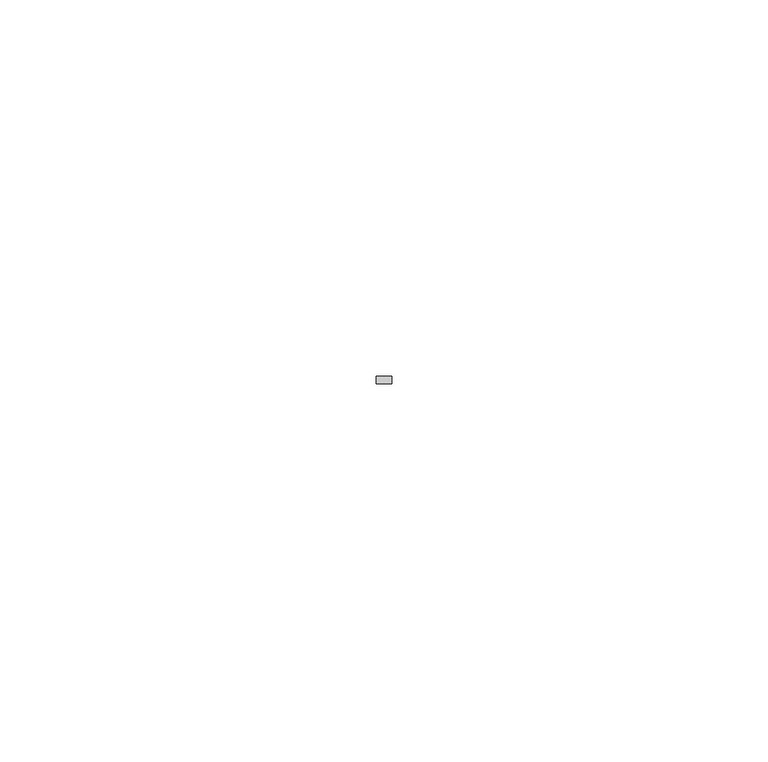
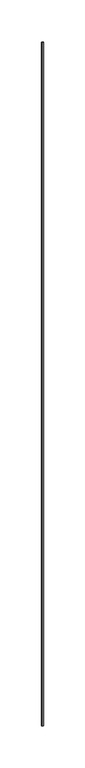
"""IFC4 building model written with IfcOpenShell, lengths in millimetres: member geometry."""

from ifc_helpers import new_model, si_unit, frame, origin, place, context, project, spatial, polyline, outline, extrude, source, transform, mapped, element, save


def member_8784e15a(model_context):
    return source(origin(), model_context, "Body", "SweptSolid", [
        extrude(outline(polyline([(0.0, 7.0), (0.0, 6.0), (-2.0, 6.0), (-2.0, 7.0), (0.0, 7.0)])), frame((0.0, 0.0, -1000.0), z_axis=(0.0, 0.0, 1.0), x_axis=(1.0, 0.0, 0.0)), (0.0, 0.0, 1.0), 1000.0),
    ])


if __name__ == "__main__":
    model = new_model("IFC4")
    model_context = context("Model", 3, world=origin())
    ifc_project = project(units=[si_unit("LENGTHUNIT", "METRE", prefix="MILLI")], contexts=[model_context])
    site = spatial("IfcSite", under=ifc_project)
    building = spatial("IfcBuilding", under=site)
    placement = place(None, origin())
    member_shape = member_8784e15a(model_context)
    element("IfcMember", 1, at=placement, inside=building, context=model_context, shape_type="MappedRepresentation", body=[
        mapped(member_shape, transform((0.0, 0.0, 0.0), x_axis=(1.0, 0.0, 0.0), y_axis=(0.0, 1.0, 0.0), z_axis=(0.0, 0.0, 1.0))),
    ])
    save(model, "model.ifc")
